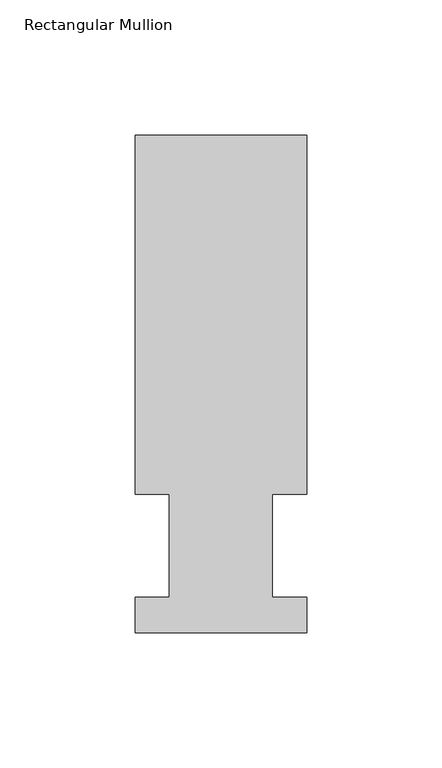
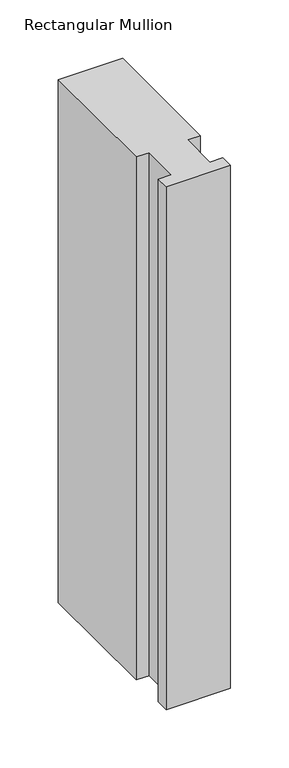
"""IFC4 building model written with IfcOpenShell, lengths in millimetres: member geometry, Rectangular Mullion."""

from ifc_helpers import new_model, si_unit, frame, origin, place, context, project, spatial, polyline, outline, extrude, source, transform, mapped, element, save


def rectangular_mullion_95e89443(model_context):
    return source(origin(), model_context, "Body", "SweptSolid", [
        extrude(outline(polyline([(-0.0002588, 222.5381312), (-0.0002588, 89.5945313), (-12.6873001, 89.5945313), (-12.6873001, 51.4945313), (0.0, 51.4945313), (0.0, 38.3119313), (-63.5000001, 38.3119313), (-63.5000001, 51.4945313), (-50.7889232, 51.4945313), (-50.7889232, 89.5945312), (-63.5004404, 89.5945313), (-63.5004404, 222.5381312), (-0.0002588, 222.5381312)])), frame((0.0, 0.0, -546.0999998), z_axis=(0.0, 0.0, 1.0), x_axis=(1.0, 0.0, 0.0)), (0.0, 0.0, 1.0), 546.0999998),
    ])


if __name__ == "__main__":
    model = new_model("IFC4")
    model_context = context("Model", 3, world=origin())
    ifc_project = project(units=[si_unit("LENGTHUNIT", "METRE", prefix="MILLI")], contexts=[model_context])
    site = spatial("IfcSite", under=ifc_project)
    building = spatial("IfcBuilding", under=site)
    placement = place(None, origin())
    rectangular_mullion_shape = rectangular_mullion_95e89443(model_context)
    element("IfcMember", 1, ObjectType="Rectangular Mullion", at=placement, inside=building, context=model_context, shape_type="MappedRepresentation", body=[
        mapped(rectangular_mullion_shape, transform((0.0, 0.0, 0.0), x_axis=(1.0, 0.0, 0.0), y_axis=(0.0, 1.0, 0.0), z_axis=(0.0, 0.0, 1.0))),
    ])
    save(model, "model.ifc")
